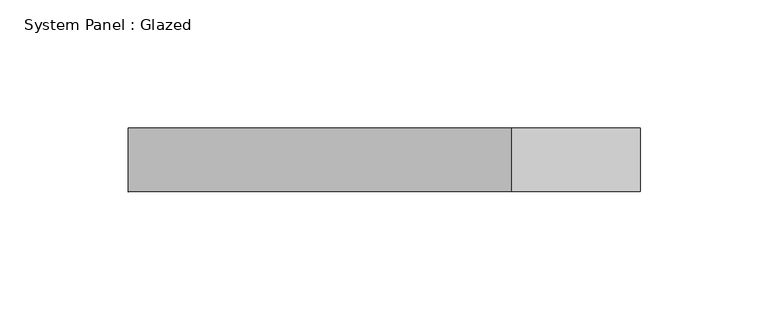
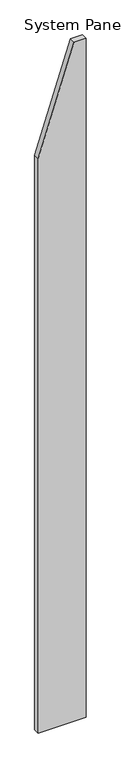
"""IFC4 building model written with IfcOpenShell, lengths in millimetres: plate geometry, System Panel : Glazed."""

from ifc_helpers import new_model, si_unit, frame, origin, place, context, project, spatial, polyline, outline, extrude, source, transform, mapped, element, save


def system_panel_glazed_646e34f7(model_context):
    return source(origin(), model_context, "Body", "SweptSolid", [
        extrude(outline(polyline([(0.0, -100.0), (0.0, 100.0), (3000.0, 100.0), (3000.0, 49.9999997), (2538.4615394, -100.0), (0.0, -100.0)])), frame((0.0, 24.5, 0.0), z_axis=(0.0, 1.0, 0.0), x_axis=(0.0, 0.0, 1.0)), (0.0, 0.0, 1.0), 25.0),
    ])


if __name__ == "__main__":
    model = new_model("IFC4")
    model_context = context("Model", 3, world=origin())
    ifc_project = project(units=[si_unit("LENGTHUNIT", "METRE", prefix="MILLI")], contexts=[model_context])
    site = spatial("IfcSite", under=ifc_project)
    building = spatial("IfcBuilding", under=site)
    placement = place(None, origin())
    system_panel_glazed_shape = system_panel_glazed_646e34f7(model_context)
    element("IfcPlate", 1, ObjectType="System Panel : Glazed", at=placement, inside=building, context=model_context, shape_type="MappedRepresentation", body=[
        mapped(system_panel_glazed_shape, transform((0.0, 0.0, 0.0), x_axis=(1.0, 0.0, 0.0), y_axis=(0.0, 1.0, 0.0), z_axis=(0.0, 0.0, 1.0))),
    ])
    save(model, "model.ifc")
